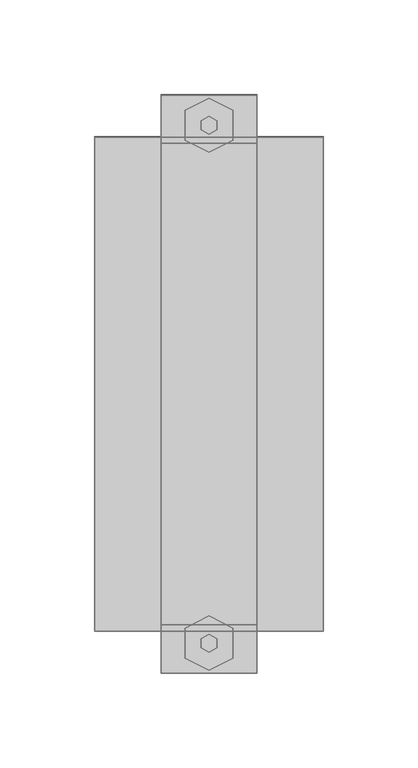
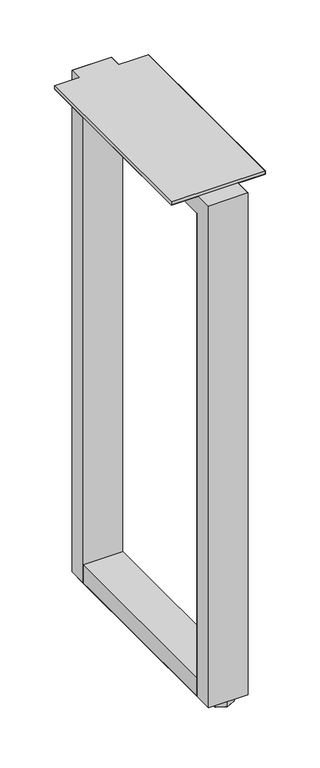
"""IFC4 building model written with IfcOpenShell, lengths in millimetres: furniture geometry."""

from ifc_helpers import new_model, si_unit, origin, place, context, project, spatial, triangles, source, transform, mapped, element, save


def furniture_52b8f4fc(model_context):
    return source(origin(), model_context, "Body", "Tessellation", [
        triangles([(25.4000008, -3.556, 8.9407998), (25.4000008, -28.9559996, 8.9407998), (25.4000008, -28.9559996, 665.8355936), (25.4000008, -3.556, 691.2355694), (-25.4000008, -3.556, 8.9407998), (-25.4000008, -28.9559996, 8.9407998), (-25.4000008, -28.9559996, 665.8355936), (-25.4000008, -3.556, 691.2355694), (-25.4000008, -308.3559966, 8.9407998), (25.4000008, -308.3559966, 8.9407998), (25.4000008, -308.3559966, 691.2355694), (-25.4000008, -308.3559966, 691.2355694), (25.4000008, -282.9560027, 665.8355936), (-25.4000008, -282.9560027, 665.8355936), (-25.4000008, -282.9560027, 8.9407998), (25.4000008, -282.9560027, 8.9407998), (-25.4000008, -282.9560027, 34.3408), (25.4000008, -282.9560027, 34.3408), (25.4000008, -28.9559996, 34.3408), (-25.4000008, -28.9559996, 34.3408), (60.3250015, -286.1310087, 691.2355694), (60.3250015, -286.1310087, 695.5536198), (60.3250015, -25.7810004, 695.5536198), (60.3250015, -25.7810004, 691.2355694), (-60.3250015, -286.1310087, 691.2355694), (-60.3250015, -286.1310087, 695.5536198), (-60.3250015, -25.7810004, 695.5536198), (-60.3250015, -25.7810004, 691.2355694)], [[1, 2, 3], [1, 3, 4], [5, 6, 7], [5, 7, 8], [3, 7, 6], [3, 6, 2], [5, 1, 4], [5, 4, 8], [9, 10, 11], [9, 11, 12], [13, 14, 15], [13, 15, 16], [9, 15, 14], [9, 14, 12], [10, 16, 13], [10, 13, 11], [17, 18, 19], [17, 19, 20], [2, 6, 15], [2, 15, 16], [17, 15, 6], [17, 6, 20], [18, 16, 2], [18, 2, 19], [11, 13, 3], [11, 3, 4], [12, 14, 7], [12, 7, 8], [3, 7, 14], [3, 14, 13], [12, 11, 4], [12, 4, 8], [21, 22, 23], [21, 23, 24], [25, 26, 27], [25, 27, 28], [25, 21, 24], [25, 24, 28], [26, 22, 23], [26, 23, 27], [21, 22, 26], [21, 26, 25], [24, 23, 27], [24, 27, 28], [1, 2, 6], [1, 6, 5], [16, 10, 9], [16, 9, 15]], closed=False),
        triangles([(-12.7000004, -11.4935004, 0.2794), (0.0, -5.1435002, 0.2794), (-12.7000004, -27.3684989, 0.2794), (0.0, -33.7184996, 0.2794), (12.7000004, -11.4935004, 0.2794), (12.7000004, -27.3684989, 0.2794), (-12.7000004, -284.5434966, 0.2794), (0.0, -278.1935027, 0.2794), (0.0, -306.7684845, 0.2794), (-12.7000004, -300.4185087, 0.2794), (12.7000004, -284.5434966, 0.2794), (12.7000004, -300.4185087, 0.2794), (0.0, -297.2435027, 8.1534001), (4.1244459, -294.8622527, 8.1534001), (0.0, -297.2435027, 8.9407998), (4.1244459, -294.8622527, 8.9407998), (4.1244459, -290.0997527, 8.1534001), (4.1244459, -290.0997527, 8.9407998), (0.0, -287.7185027, 8.1534001), (0.0, -287.7185027, 8.9407998), (-4.1244459, -290.0997527, 8.1534001), (-4.1244459, -290.0997527, 8.9407998), (-4.1244459, -294.8622527, 8.1534001), (-4.1244459, -294.8622527, 8.9407998), (-12.7000004, -300.4185087, 8.1534001), (-12.7000004, -284.5434966, 8.1534001), (0.0, -278.1935027, 8.1534001), (12.7000004, -284.5434966, 8.1534001), (12.7000004, -300.4185087, 8.1534001), (0.0, -306.7684845, 8.1534001), (0.0, -24.1934996, 8.1534001), (4.1244459, -21.8122496, 8.1534001), (4.1244459, -21.8122496, 8.9407998), (0.0, -24.1934996, 8.9407998), (4.1244459, -17.0497496, 8.1534001), (4.1244459, -17.0497496, 8.9407998), (0.0, -14.6684996, 8.1534001), (0.0, -14.6684996, 8.9407998), (-4.1244459, -17.0497496, 8.1534001), (-4.1244459, -17.0497496, 8.9407998), (-4.1244459, -21.8122496, 8.1534001), (-4.1244459, -21.8122496, 8.9407998), (-12.7000004, -27.3684989, 8.1534001), (-12.7000004, -11.4935004, 8.1534001), (0.0, -5.1435002, 8.1534001), (12.7000004, -11.4935004, 8.1534001), (12.7000004, -27.3684989, 8.1534001), (0.0, -33.7184996, 8.1534001)], [[1, 2, 3], [2, 4, 3], [4, 2, 5], [4, 5, 6], [7, 8, 9], [7, 9, 10], [9, 8, 11], [9, 11, 12], [13, 14, 15], [14, 16, 15], [14, 17, 16], [17, 18, 16], [17, 19, 18], [19, 20, 18], [19, 21, 22], [19, 22, 20], [21, 23, 24], [21, 24, 22], [23, 13, 15], [23, 15, 24], [10, 25, 26], [10, 26, 7], [7, 8, 27], [7, 27, 26], [27, 8, 11], [27, 11, 28], [28, 11, 12], [28, 12, 29], [12, 29, 30], [12, 30, 9], [10, 9, 30], [10, 30, 25], [23, 25, 30], [23, 30, 13], [23, 21, 26], [23, 26, 25], [21, 19, 27], [21, 27, 26], [27, 19, 17], [27, 17, 28], [28, 17, 14], [28, 14, 29], [29, 14, 13], [29, 13, 30], [31, 32, 33], [31, 33, 34], [32, 35, 36], [32, 36, 33], [35, 37, 38], [35, 38, 36], [37, 39, 40], [37, 40, 38], [39, 41, 42], [39, 42, 40], [41, 31, 34], [41, 34, 42], [3, 43, 44], [3, 44, 1], [1, 2, 45], [1, 45, 44], [45, 2, 5], [45, 5, 46], [46, 5, 6], [46, 6, 47], [6, 47, 48], [6, 48, 4], [3, 4, 48], [3, 48, 43], [41, 43, 48], [41, 48, 31], [41, 39, 44], [41, 44, 43], [39, 37, 45], [39, 45, 44], [45, 37, 35], [45, 35, 46], [46, 35, 32], [46, 32, 47], [47, 32, 31], [47, 31, 48]], closed=False),
    ])


if __name__ == "__main__":
    model = new_model("IFC4")
    model_context = context("Model", 3, world=origin())
    ifc_project = project(units=[si_unit("LENGTHUNIT", "METRE", prefix="MILLI")], contexts=[model_context])
    site = spatial("IfcSite", under=ifc_project)
    building = spatial("IfcBuilding", under=site)
    placement = place(None, origin())
    furniture_shape = furniture_52b8f4fc(model_context)
    element("IfcFurniture", 1, at=placement, inside=building, context=model_context, shape_type="MappedRepresentation", body=[
        mapped(furniture_shape, transform((0.0, 0.0, 0.0), x_axis=(1.0, 0.0, 0.0), y_axis=(0.0, 1.0, 0.0), z_axis=(0.0, 0.0, 1.0))),
    ])
    save(model, "model.ifc")
